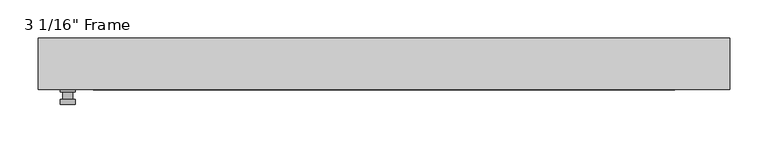
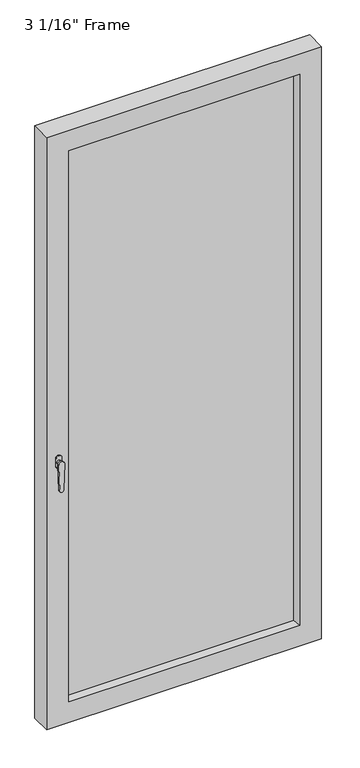
"""IFC4 building model written with IfcOpenShell, lengths in millimetres: plate geometry."""

from ifc_helpers import new_model, si_unit, frame, origin, place, context, project, spatial, polyline, circle_curve, outline, extrude, faceted_brep, source, transform, mapped, element, save
from ifc_brep_helpers import plane_surface, cylinder_surface, advanced_brep


def plate_ac739406(model_context):
    return source(origin(), model_context, "Body", "SolidModel", [
        advanced_brep(
        [(-401.6375, -33.3375, 927.1), (-401.6375, -33.3375, 901.7), (-420.6875, -33.3375, 901.7), (-420.6875, -33.3375, 927.1), (-404.8125, -46.0375, 914.4), (-417.5125, -46.0375, 914.4), (-417.5125, -36.5125, 914.4), (-404.8125, -36.5125, 914.4), (-401.6375, -46.0375, 914.4), (-404.8165356, -46.0375, 825.2736467), (-417.5084644, -46.0375, 825.2736467), (-420.6875, -46.0375, 914.4), (-401.6375, -52.3875, 914.4), (-420.6875, -52.3875, 914.4), (-417.5084644, -52.3875, 825.2736467), (-404.8165356, -52.3875, 825.2736467), (-401.6375, -36.5125, 927.1), (-420.6875, -36.5125, 927.1), (-420.6875, -36.5125, 901.7), (-401.6375, -36.5125, 901.7)],
        [
            (0, 1),
            (1, 2, circle_curve(frame((-411.1625, -33.3375, 901.7), z_axis=(0.0, 1.0, 0.0), x_axis=(-1.0, 0.0, 0.0)), 9.525)),
            (2, 3),
            (3, 0, circle_curve(frame((-411.1625, -33.3375, 927.1), z_axis=(0.0, 1.0, 0.0), x_axis=(-1.0, 0.0, 0.0)), 9.525)),
            (4, 5, circle_curve(frame((-411.1625, -46.0375, 914.4), z_axis=(0.0, 1.0, 0.0), x_axis=(-1.0, 0.0, 0.0)), 6.35)),
            (5, 6),
            (6, 7, circle_curve(frame((-411.1625, -36.5125, 914.4), z_axis=(0.0, -1.0, 0.0), x_axis=(-1.0, 0.0, 0.0)), 6.35)),
            (7, 4),
            (5, 4, circle_curve(frame((-411.1625, -46.0375, 914.4), z_axis=(0.0, 1.0, 0.0), x_axis=(-1.0, 0.0, 0.0)), 6.35)),
            (7, 6, circle_curve(frame((-411.1625, -36.5125, 914.4), z_axis=(0.0, -1.0, 0.0), x_axis=(-1.0, 0.0, 0.0)), 6.35)),
            (8, 9),
            (9, 10, circle_curve(frame((-411.1625, -46.0375, 825.5), z_axis=(0.0, 1.0, 0.0), x_axis=(-1.0, 0.0, 0.0)), 6.35)),
            (10, 11),
            (11, 8, circle_curve(frame((-411.1625, -46.0375, 914.4), z_axis=(0.0, 1.0, 0.0), x_axis=(-1.0, 0.0, 0.0)), 9.525)),
            (12, 13, circle_curve(frame((-411.1625, -52.3875, 914.4), z_axis=(0.0, -1.0, 0.0), x_axis=(-1.0, 0.0, 0.0)), 9.525)),
            (13, 14),
            (14, 15, circle_curve(frame((-411.1625, -52.3875, 825.5), z_axis=(0.0, -1.0, 0.0), x_axis=(-1.0, 0.0, 0.0)), 6.35)),
            (15, 12),
            (8, 12),
            (15, 9),
            (14, 10),
            (13, 11),
            (16, 17, circle_curve(frame((-411.1625, -36.5125, 927.1), z_axis=(0.0, -1.0, 0.0), x_axis=(-1.0, 0.0, 0.0)), 9.525)),
            (17, 18),
            (18, 19, circle_curve(frame((-411.1625, -36.5125, 901.7), z_axis=(0.0, -1.0, 0.0), x_axis=(-1.0, 0.0, 0.0)), 9.525)),
            (19, 16),
            (0, 16),
            (19, 1),
            (18, 2),
            (17, 3),
        ],
        [
            plane_surface(frame((-417.5125, -33.3375, 914.4), z_axis=(0.0, 1.0, 0.0), x_axis=(0.0, 0.0, 1.0))),
            cylinder_surface(frame((-411.1625, -46.0375, 914.4), z_axis=(0.0, 1.0, 0.0), x_axis=(-1.0, 0.0, 0.0)), 6.35),
            plane_surface(frame((-401.6375, -46.0375, 914.4), z_axis=(0.0, 1.0000000000000002, 0.0), x_axis=(-0.03564619348186888, 0.0, -0.9993644724975235))),
            plane_surface(frame((-401.6375, -52.3875, 914.4), z_axis=(0.0, -1.0000000000000002, 0.0), x_axis=(0.03564619348186888, 0.0, 0.9993644724975235))),
            plane_surface(frame((-401.6375, -46.0375, 914.4), z_axis=(0.9993644724975235, 0.0, -0.03564619348186888), x_axis=(0.0, -1.0, 0.0))),
            cylinder_surface(frame((-411.1625, -52.3875, 825.5), z_axis=(0.0, 1.0, 0.0), x_axis=(-1.0, 0.0, 0.0)), 6.35),
            plane_surface(frame((-417.5084644, -46.0375, 825.2736467), z_axis=(-0.9993644724975228, 0.0, -0.03564619348188612), x_axis=(0.0, -1.0, 0.0))),
            cylinder_surface(frame((-411.1625, -52.3875, 914.4), z_axis=(0.0, 1.0, 0.0), x_axis=(-1.0, 0.0, 0.0)), 9.525),
            plane_surface(frame((-401.6375, -36.5125, 901.7), z_axis=(0.0, -1.0, 0.0), x_axis=(0.0, 0.0, 1.0))),
            plane_surface(frame((-401.6375, -33.3375, 927.1), z_axis=(1.0, 0.0, 0.0), x_axis=(0.0, -1.0, 0.0))),
            cylinder_surface(frame((-411.1625, -36.5125, 901.7), z_axis=(0.0, 1.0, 0.0), x_axis=(-1.0, 0.0, 0.0)), 9.525),
            plane_surface(frame((-420.6875, -33.3375, 901.7), z_axis=(-1.0, 0.0, 0.0), x_axis=(0.0, -1.0, 0.0))),
            cylinder_surface(frame((-411.1625, -36.5125, 927.1), z_axis=(0.0, 1.0, 0.0), x_axis=(-1.0, 0.0, 0.0)), 9.525),
        ],
        [
            (0, [[1, 2, 3, 4]]),
            (1, [[5, 6, 7, 8]]),
            (1, [[9, -8, 10, -6]]),
            (2, [[11, 12, 13, 14], [-5, -9]]),
            (3, [[15, 16, 17, 18]]),
            (4, [[-11, 19, -18, 20]]),
            (5, [[-12, -20, -17, 21]]),
            (6, [[-13, -21, -16, 22]]),
            (7, [[-14, -22, -15, -19]]),
            (8, [[23, 24, 25, 26], [-7, -10]]),
            (9, [[-1, 27, -26, 28]]),
            (10, [[-2, -28, -25, 29]]),
            (11, [[-3, -29, -24, 30]]),
            (12, [[-4, -30, -23, -27]]),
        ],
    ),
        faceted_brep([(-449.2625, -33.3375, 0.0), (-449.2625, 33.3375, 0.0), (449.2625, 33.3375, 0.0), (449.2625, -33.3375, 0.0), (449.2625, -33.3375, 2047.875), (-449.2625, -33.3375, 2047.875), (-377.825, -33.3375, 1976.4375), (377.825, -33.3375, 1976.4375), (377.825, -33.3375, 71.4375), (-377.825, -33.3375, 71.4375), (-449.2625, 33.3375, 2047.875), (449.2625, 33.3375, 2047.875), (-377.825, 33.3375, 1976.4375), (-377.825, 33.3375, 71.4375), (377.825, 33.3375, 71.4375), (377.825, 33.3375, 1976.4375), (-371.475, 11.90625, 1970.0875), (-371.475, 11.90625, 77.7875), (384.175, 11.90625, 1982.7875), (-384.175, 11.90625, 1982.7875), (-384.175, 11.90625, 65.0875), (384.175, 11.90625, 65.0875), (371.475, 11.90625, 1970.0875), (371.475, 11.90625, 77.7875), (-384.175, -11.90625, 1982.7875), (-384.175, -11.90625, 65.0875), (384.175, -11.90625, 1982.7875), (384.175, -11.90625, 65.0875), (-371.475, -11.90625, 1970.0875), (-371.475, -11.90625, 77.7875), (371.475, -11.90625, 77.7875), (371.475, -11.90625, 1970.0875)], [[[0, 1, 2, 3]], [[0, 3, 4, 5], [6, 7, 8, 9]], [[1, 0, 5, 10]], [[2, 1, 10, 11], [12, 13, 14, 15]], [[12, 16, 17, 13]], [[18, 19, 20, 21], [16, 22, 23, 17]], [[20, 19, 24, 25]], [[24, 26, 27, 25], [28, 29, 30, 31]], [[28, 6, 9, 29]], [[5, 4, 11, 10]], [[12, 15, 22, 16]], [[19, 18, 26, 24]], [[7, 6, 28, 31]], [[4, 3, 2, 11]], [[22, 15, 14, 23]], [[27, 26, 18, 21]], [[7, 31, 30, 8]], [[9, 8, 30, 29]], [[21, 20, 25, 27]], [[17, 23, 14, 13]]]),
        extrude(outline(polyline([(384.175, -11.90625), (-384.175, -11.90625), (-384.175, 11.90625), (384.175, 11.90625), (384.175, -11.90625)])), frame((0.0, 0.0, 65.0875), z_axis=(0.0, 0.0, 1.0), x_axis=(1.0, 0.0, 0.0)), (0.0, 0.0, 1.0), 1917.7),
    ])


if __name__ == "__main__":
    model = new_model("IFC4")
    model_context = context("Model", 3, world=origin())
    ifc_project = project(units=[si_unit("LENGTHUNIT", "METRE", prefix="MILLI")], contexts=[model_context])
    site = spatial("IfcSite", under=ifc_project)
    building = spatial("IfcBuilding", under=site)
    placement = place(None, origin())
    plate_shape = plate_ac739406(model_context)
    element("IfcPlate", 1, ObjectType="3 1/16\" Frame", at=placement, inside=building, context=model_context, shape_type="MappedRepresentation", body=[
        mapped(plate_shape, transform((0.0, 0.0, 0.0), x_axis=(1.0, 0.0, 0.0), y_axis=(0.0, 1.0, 0.0), z_axis=(0.0, 0.0, 1.0))),
    ])
    save(model, "model.ifc")
